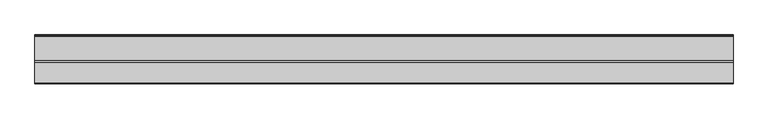
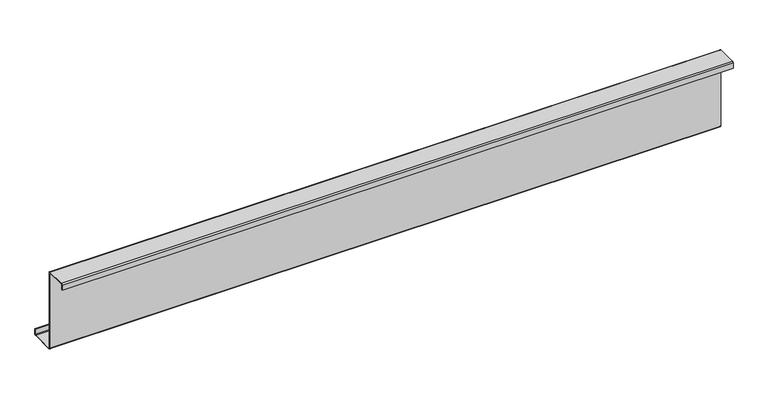
"""IFC4 building model written with IfcOpenShell, lengths in millimetres: member geometry."""

from ifc_helpers import new_model, si_unit, point, frame, frame_2d, origin, place, context, project, spatial, polyline, circle_curve, trimmed, segment, composite_curve, outline, extrude, source, transform, mapped, element, save


def member_0ad26f07(model_context):
    return source(origin(), model_context, "Body", "SweptSolid", [
        extrude(outline(composite_curve([segment(polyline([(0.0, -123.5), (0.0, 123.5)]), True, "CONTINUOUS"), segment(trimmed(circle_curve(frame_2d((-2.0, 123.5)), 2.0), [point((0.0, 123.5))], [point((-2.0, 125.5))], True, "CARTESIAN"), True, "CONTINUOUS"), segment(polyline([(-2.0, 125.5), (-63.5, 125.5)]), True, "CONTINUOUS"), segment(trimmed(circle_curve(frame_2d((-63.5, 123.5)), 2.0), [point((-63.5, 125.5))], [point((-65.5, 123.5))], True, "CARTESIAN"), True, "CONTINUOUS"), segment(polyline([(-65.5, 123.5), (-65.5, 107.0), (-67.0, 107.0), (-67.0, 123.5)]), True, "CONTINUOUS"), segment(trimmed(circle_curve(frame_2d((-63.5, 123.5)), 3.5), [point((-67.0, 123.5))], [point((-63.5, 127.0))], False, "CARTESIAN"), True, "CONTINUOUS"), segment(polyline([(-63.5, 127.0), (-2.0, 127.0)]), True, "CONTINUOUS"), segment(trimmed(circle_curve(frame_2d((-2.0, 123.5)), 3.5), [point((-2.0, 127.0))], [point((1.5, 123.5))], False, "CARTESIAN"), True, "CONTINUOUS"), segment(polyline([(1.5, 123.5), (1.5, -123.5)]), True, "CONTINUOUS"), segment(trimmed(circle_curve(frame_2d((3.5, -123.5)), 2.0), [point((1.5, -123.5))], [point((3.5, -125.5))], True, "CARTESIAN"), True, "CONTINUOUS"), segment(polyline([(3.5, -125.5), (75.0, -125.5)]), True, "CONTINUOUS"), segment(trimmed(circle_curve(frame_2d((75.0, -123.5)), 2.0), [point((75.0, -125.5))], [point((77.0, -123.5))], True, "CARTESIAN"), True, "CONTINUOUS"), segment(polyline([(77.0, -123.5), (77.0, -107.5), (78.5, -107.5), (78.5, -123.5)]), True, "CONTINUOUS"), segment(trimmed(circle_curve(frame_2d((75.0, -123.5)), 3.5), [point((78.5, -123.5))], [point((75.0, -127.0))], False, "CARTESIAN"), True, "CONTINUOUS"), segment(polyline([(75.0, -127.0), (3.5, -127.0)]), True, "CONTINUOUS"), segment(trimmed(circle_curve(frame_2d((3.5, -123.5)), 3.5), [point((3.5, -127.0))], [point((0.0, -123.5))], False, "CARTESIAN"), True, "CONTINUOUS")], self_intersect=False)), frame((-1037.0, 0.0, 0.0), z_axis=(1.0, 0.0, 0.0), x_axis=(0.0, 1.0, 0.0)), (0.0, 0.0, 1.0), 2074.0),
    ])


if __name__ == "__main__":
    model = new_model("IFC4")
    model_context = context("Model", 3, world=origin())
    ifc_project = project(units=[si_unit("LENGTHUNIT", "METRE", prefix="MILLI")], contexts=[model_context])
    site = spatial("IfcSite", under=ifc_project)
    building = spatial("IfcBuilding", under=site)
    placement = place(None, origin())
    member_shape = member_0ad26f07(model_context)
    element("IfcMember", 1, at=placement, inside=building, context=model_context, shape_type="MappedRepresentation", body=[
        mapped(member_shape, transform((0.0, 0.0, 0.0), x_axis=(1.0, 0.0, 0.0), y_axis=(0.0, 1.0, 0.0), z_axis=(0.0, 0.0, 1.0))),
    ])
    save(model, "model.ifc")
